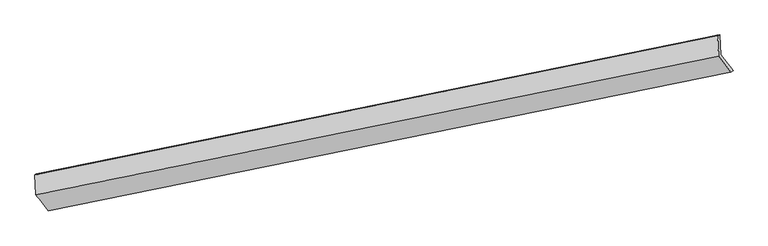
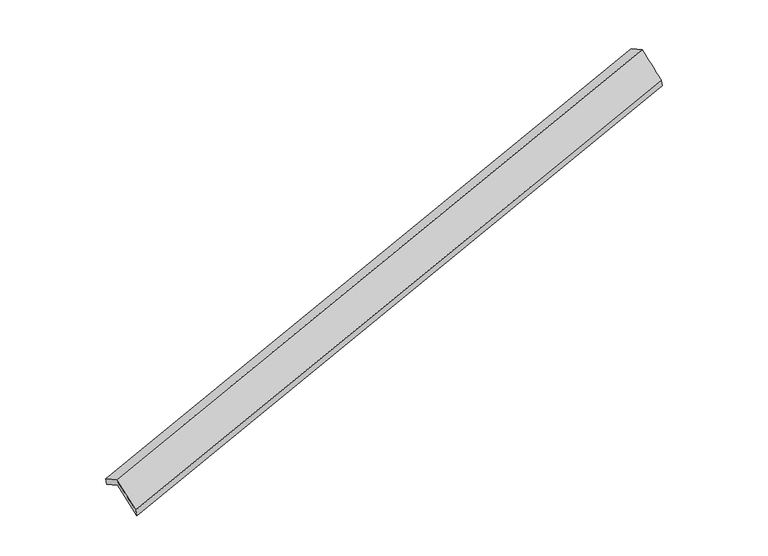
"""IFC4 building model written with IfcOpenShell, lengths in millimetres: proxy geometry."""

from ifc_helpers import new_model, si_unit, frame, origin, place, context, project, spatial, source, transform, mapped, element, save
from ifc_brep_helpers import plane_surface, spline_surface, advanced_brep


def generic_models_287f5691(model_context):
    return source(origin(), model_context, "Body", "AdvancedBrep", [
        advanced_brep(
        [(-9686.0906546, -2896.3335782, 155.8439533), (-9705.3037494, -2503.4843522, -54.5563415), (3836.503879, 255.6252099, 3876.5306988), (3855.7169738, -137.2240162, 4086.9309935), (-9749.2559814, -2524.0710402, 109.5112032), (3793.4274676, 235.217642, 4040.8527106), (-9729.6737415, -2924.4681568, 323.9539608), (3813.0097075, -165.1794747, 4255.2954683), (-9481.4806407, -3244.485719, -296.2315257), (4056.6727973, -486.1235006, 3633.7937998), (-9436.5047075, -3218.1470616, -467.8219807), (4100.7474877, -459.9691627, 3461.9414912)],
        [
            (0, 1),
            (1, 2),
            (2, 3),
            (3, 0),
            (1, 4),
            (4, 5),
            (5, 2),
            (4, 6),
            (6, 7),
            (7, 5),
            (6, 8),
            (8, 9),
            (9, 7),
            (8, 10),
            (10, 11),
            (11, 9),
            (10, 0),
            (3, 11),
        ],
        [
            plane_surface(frame((-9695.697202, -2699.9089652, 50.6438059), z_axis=(0.33153637554425053, -0.4327724913048479, -0.8383266681078309), x_axis=(-0.0430730647170908, 0.8807128815732709, -0.4716879597008843))),
            spline_surface(1, 1, [[(-9705.3037494, -2503.4843522, -54.5563415), (3836.503879, 255.6252099, 3876.5306988)], [(-9749.2559814, -2524.0710402, 109.5112032), (3793.4274676, 235.217642, 4040.8527106)]], [2, 2], [2, 2], [0.0, 1.0], [0.0, 1.0]),
            plane_surface(frame((-9739.4648614, -2724.2695985, 216.732582), z_axis=(-0.33153640693001185, 0.4327724848945572, 0.8383266590047868), x_axis=(0.043073064717061245, -0.880712881573251, 0.47168795970092403))),
            spline_surface(1, 1, [[(-9729.6737415, -2924.4681568, 323.9539608), (3813.0097075, -165.1794747, 4255.2954683)], [(-9481.4806407, -3244.485719, -296.2315257), (4056.6727973, -486.1235006, 3633.7937998)]], [2, 2], [2, 2], [0.0, 1.0], [0.0, 1.0]),
            spline_surface(1, 1, [[(-9481.4806407, -3244.485719, -296.2315257), (4056.6727973, -486.1235006, 3633.7937998)], [(-9436.5047075, -3218.1470616, -467.8219807), (4100.7474877, -459.9691627, 3461.9414912)]], [2, 2], [2, 2], [0.0, 1.0], [0.0, 1.0]),
            spline_surface(1, 1, [[(-9436.5047075, -3218.1470616, -467.8219807), (4100.7474877, -459.9691627, 3461.9414912)], [(-9686.0906546, -2896.3335782, 155.8439533), (3855.7169738, -137.2240162, 4086.9309935)]], [2, 2], [2, 2], [0.0, 1.0], [0.0, 1.0]),
            plane_surface(frame((3909.3463855, -126.2755504, 3892.557527), z_axis=(0.9433603711588456, 0.19130867126712703, 0.2710575629364571), x_axis=(0.24577194464799468, 0.14584339534769225, -0.9582931990040416))),
            plane_surface(frame((-9631.3849125, -2885.1649847, -38.2167884), z_axis=(-0.9412054183382005, -0.19411689450140113, -0.2764977246921662), x_axis=(0.3350777097729284, -0.4320456590455705, -0.8372929456965512))),
        ],
        [
            (0, [[1, 2, 3, 4]]),
            (1, [[5, 6, 7, -2]]),
            (2, [[8, 9, 10, -6]]),
            (3, [[11, 12, 13, -9]]),
            (4, [[14, 15, 16, -12]]),
            (5, [[17, -4, 18, -15]]),
            (6, [[-16, -18, -3, -7, -10, -13]]),
            (7, [[-17, -14, -11, -8, -5, -1]]),
        ],
    ),
    ])


if __name__ == "__main__":
    model = new_model("IFC4")
    model_context = context("Model", 3, world=origin())
    ifc_project = project(units=[si_unit("LENGTHUNIT", "METRE", prefix="MILLI")], contexts=[model_context])
    site = spatial("IfcSite", under=ifc_project)
    building = spatial("IfcBuilding", under=site)
    placement = place(None, origin())
    generic_models_shape = generic_models_287f5691(model_context)
    element("IfcBuildingElementProxy", 1, Name="Generic Models", at=placement, inside=building, context=model_context, shape_type="MappedRepresentation", body=[
        mapped(generic_models_shape, transform((0.0, 0.0, 0.0), x_axis=(1.0, 0.0, 0.0), y_axis=(0.0, 1.0, 0.0), z_axis=(0.0, 0.0, 1.0))),
    ])
    save(model, "model.ifc")
